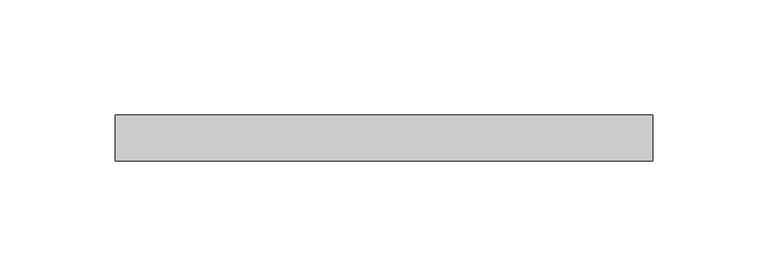
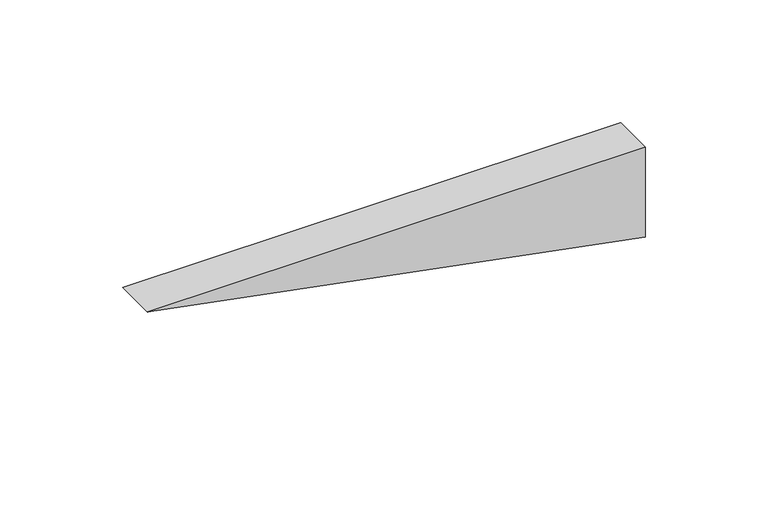
"""IFC4 building model written with IfcOpenShell, lengths in millimetres: plate geometry."""

import ifcopenshell
import ifcopenshell.guid

model = None  # the IFC model being written
_history = None  # IfcOwnerHistory: only IFC2X3 demands one
_inside = {}  # id of a spatial element -> (the spatial element, [elements in it])
_under = {}  # id of a project, library or spatial element -> (it, [spatial elements below it])
_declared = {}  # id of a project -> (the project, [libraries it declares])
_typed = {}  # id of a type object -> (the type object, [elements of that type])
_made_of = {}  # id of a material, layer set ... -> (it, [elements and type objects made of it])


def new_model(schema):
    """Start an empty IFC model of exactly this schema.

    Asked for "IFC4X3", IfcOpenShell would pick the latest addendum, in which some entities
    have other attributes; the version numbers below select the first issue.
    IFC2X3 requires an IfcOwnerHistory on every rooted entity: one is made here for all.
    """
    global model, _history
    if schema == "IFC4X3":
        model = ifcopenshell.file(schema_version=(4, 3, 0, 0))
    else:
        model = ifcopenshell.file(schema=schema)
    _inside.clear()
    _under.clear()
    _declared.clear()
    _typed.clear()
    _made_of.clear()
    _history = None
    if model.schema == "IFC2X3":
        org = make("IfcOrganization", Name="unknown")
        user = make(
            "IfcPersonAndOrganization",
            ThePerson=make("IfcPerson", FamilyName="unknown"),
            TheOrganization=org,
        )
        app = make(
            "IfcApplication",
            ApplicationDeveloper=org,
            Version="unknown",
            ApplicationFullName="unknown",
            ApplicationIdentifier="unknown",
        )
        _history = make(
            "IfcOwnerHistory",
            OwningUser=user,
            OwningApplication=app,
            ChangeAction="ADDED",
            CreationDate=0,
        )
    return model


def make(cls, **values):
    """One entity of the class cls with the attributes given. An attribute that is None is left unset."""
    return model.create_entity(
        cls, **{name: value for name, value in values.items() if value is not None}
    )


def rooted(cls, **values):
    """An entity with a GlobalId (a new one), such as an element, a storey or a relation."""
    return make(cls, GlobalId=ifcopenshell.guid.new(), OwnerHistory=_history, **values)


def si_unit(unit_type, name, prefix=None):
    """IfcSIUnit, for example si_unit("LENGTHUNIT", "METRE", prefix="MILLI")."""
    return make("IfcSIUnit", UnitType=unit_type, Prefix=prefix, Name=name)


def assignment(units):
    """IfcUnitAssignment: the units of a project."""
    return None if units is None else make("IfcUnitAssignment", Units=units)


def point(xyz):
    """IfcCartesianPoint."""
    return None if xyz is None else make("IfcCartesianPoint", Coordinates=xyz)


def direction(xyz):
    """IfcDirection."""
    return None if xyz is None else make("IfcDirection", DirectionRatios=xyz)


def frame(location, z_axis=None, x_axis=None):
    """IfcAxis2Placement3D, a coordinate frame: its origin and axes. An axis left out is left unset."""
    return make(
        "IfcAxis2Placement3D",
        Location=point(location),
        Axis=direction(z_axis),
        RefDirection=direction(x_axis),
    )


def origin():
    """The frame at (0, 0, 0) with its axes left unset."""
    return frame((0.0, 0.0, 0.0))


def place(relative_to, where):
    """IfcLocalPlacement: puts the frame where relative to a parent placement (None: the world)."""
    return make(
        "IfcLocalPlacement", PlacementRelTo=relative_to, RelativePlacement=where
    )


def context(
    kind, dimensions, precision=None, world=None, true_north=None, identifier=None
):
    """IfcGeometricRepresentationContext, for example the 3D "Model" context."""
    return make(
        "IfcGeometricRepresentationContext",
        ContextIdentifier=identifier,
        ContextType=kind,
        CoordinateSpaceDimension=dimensions,
        Precision=precision,
        WorldCoordinateSystem=world,
        TrueNorth=true_north,
    )


def project(units=None, contexts=None):
    """IfcProject with its units and contexts."""
    return rooted(
        "IfcProject",
        Name="project",
        RepresentationContexts=contexts,
        UnitsInContext=assignment(units),
    )


def spatial(cls, under=None, at=None, **own):
    """A site, building, storey or space (cls), placed at a placement, below another one or the project."""
    s = rooted(cls, ObjectPlacement=at, **own)
    if under is not None:
        _under.setdefault(under.id(), (under, []))[1].append(s)
    return s


def polyline(points):
    """IfcPolyline through the points."""
    return make("IfcPolyline", Points=[point(p) for p in points])


def outline(outer, holes=None, kind="AREA"):
    """IfcArbitraryClosedProfileDef: a profile drawn as a closed curve; with holes, ...WithVoids."""
    if holes is None:
        return make("IfcArbitraryClosedProfileDef", ProfileType=kind, OuterCurve=outer)
    return make(
        "IfcArbitraryProfileDefWithVoids",
        ProfileType=kind,
        OuterCurve=outer,
        InnerCurves=holes,
    )


def extrude(swept, where, along, depth):
    """IfcExtrudedAreaSolid: the profile swept, set in the frame where, extruded along a direction by depth."""
    return make(
        "IfcExtrudedAreaSolid",
        SweptArea=swept,
        Position=where,
        ExtrudedDirection=direction(along),
        Depth=depth,
    )


def shape(context_of_items, identifier, shape_type, items):
    """IfcShapeRepresentation: the items that make up one representation, for example the "Body"."""
    return make(
        "IfcShapeRepresentation",
        ContextOfItems=context_of_items,
        RepresentationIdentifier=identifier,
        RepresentationType=shape_type,
        Items=items,
    )


def source(mapping_origin, context_of_items, identifier, shape_type, items):
    """IfcRepresentationMap: a shape defined once, which mapped items show again and again."""
    return make(
        "IfcRepresentationMap",
        MappingOrigin=mapping_origin,
        MappedRepresentation=shape(context_of_items, identifier, shape_type, items),
    )


def transform(
    local_origin,
    x_axis=None,
    y_axis=None,
    z_axis=None,
    scale=None,
    scale2=None,
    scale3=None,
    uniform=True,
):
    """IfcCartesianTransformationOperator3D, or its non-uniform kind. x_axis, y_axis, z_axis: its Axis1, 2, 3."""
    if uniform:
        return make(
            "IfcCartesianTransformationOperator3D",
            Axis1=direction(x_axis),
            Axis2=direction(y_axis),
            LocalOrigin=point(local_origin),
            Scale=scale,
            Axis3=direction(z_axis),
        )
    return make(
        "IfcCartesianTransformationOperator3DnonUniform",
        Axis1=direction(x_axis),
        Axis2=direction(y_axis),
        LocalOrigin=point(local_origin),
        Scale=scale,
        Axis3=direction(z_axis),
        Scale2=scale2,
        Scale3=scale3,
    )


def mapped(mapping_source, mapping_target):
    """IfcMappedItem: shows the shape of a source again, moved by a transform."""
    return make(
        "IfcMappedItem", MappingSource=mapping_source, MappingTarget=mapping_target
    )


def made_of(thing, what):
    """Note that an element or type object is made of a material, layer set ...; save() writes the relation."""
    if what is not None:
        _made_of.setdefault(what.id(), (what, []))[1].append(thing)
    return thing


def element(
    cls,
    number,
    at=None,
    inside=None,
    cuts=None,
    type_object=None,
    material=None,
    context=None,
    identifier="Body",
    shape_type=None,
    held_by="IfcProductDefinitionShape",
    body=None,
    shapes=None,
    **own,
):
    """One element of the class cls, such as IfcWall. Its Tag is "e" and its number.

    at: its placement. inside: the storey or other place that contains it. cuts: it is an
    opening in that element (IfcRelVoidsElement). A single representation is given by context,
    identifier, shape_type and body (its items); several are given by shapes. held_by: the class
    of the entity that holds the representations. save() writes the other relations.
    """
    e = rooted(cls, Tag="e%d" % number, ObjectPlacement=at, **own)
    if body is not None:
        shapes = [shape(context, identifier, shape_type, body)]
    if shapes is not None:
        e.Representation = make(held_by, Representations=shapes)
    if inside is not None:
        _inside.setdefault(inside.id(), (inside, []))[1].append(e)
    if cuts is not None:
        rooted(
            "IfcRelVoidsElement", RelatingBuildingElement=cuts, RelatedOpeningElement=e
        )
    if type_object is not None:
        _typed.setdefault(type_object.id(), (type_object, []))[1].append(e)
    return made_of(e, material)


def aggregate(whole, parts):
    """IfcRelAggregates: a whole, such as a stair, and the parts it consists of."""
    return rooted("IfcRelAggregates", RelatingObject=whole, RelatedObjects=parts)


def save(model, path):
    """Write the relations noted so far, then the file.

    IfcRelAggregates (storeys below a building ...), IfcRelContainedInSpatialStructure (elements
    in a storey), IfcRelDefinesByType, IfcRelAssociatesMaterial and IfcRelDeclares: one each for
    every whole, place, type object, material and project.
    """
    for whole, parts in _under.values():
        aggregate(whole, parts)
    for where, things in _inside.values():
        rooted(
            "IfcRelContainedInSpatialStructure",
            RelatedElements=things,
            RelatingStructure=where,
        )
    for kind, things in _typed.values():
        rooted("IfcRelDefinesByType", RelatedObjects=things, RelatingType=kind)
    for what, things in _made_of.values():
        rooted("IfcRelAssociatesMaterial", RelatedObjects=things, RelatingMaterial=what)
    for by, libraries in _declared.values():
        rooted("IfcRelDeclares", RelatingContext=by, RelatedDefinitions=libraries)
    model.write(path)


def plate_a3102905(model_context):
    return source(origin(), model_context, "Body", "SweptSolid", [
        extrude(outline(polyline([(44.7291377, -116.9057008), (0.0, 116.9057008), (44.7291377, 116.9057008), (44.7291377, -116.9057008)])), frame((0.0, 20.0, 0.0), z_axis=(0.0, 1.0, 0.0), x_axis=(0.0, 0.0, 1.0)), (0.0, 0.0, 1.0), 20.0),
    ])


if __name__ == "__main__":
    model = new_model("IFC4")
    model_context = context("Model", 3, world=origin())
    ifc_project = project(units=[si_unit("LENGTHUNIT", "METRE", prefix="MILLI")], contexts=[model_context])
    site = spatial("IfcSite", under=ifc_project)
    building = spatial("IfcBuilding", under=site)
    placement = place(None, origin())
    plate_shape = plate_a3102905(model_context)
    element("IfcPlate", 1, at=placement, inside=building, context=model_context, shape_type="MappedRepresentation", body=[
        mapped(plate_shape, transform((0.0, 0.0, 0.0), x_axis=(1.0, 0.0, 0.0), y_axis=(0.0, 1.0, 0.0), z_axis=(0.0, 0.0, 1.0))),
    ])
    save(model, "model.ifc")
